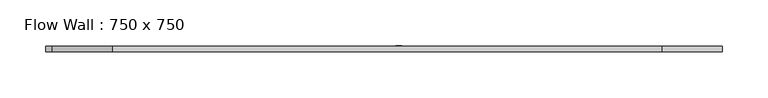
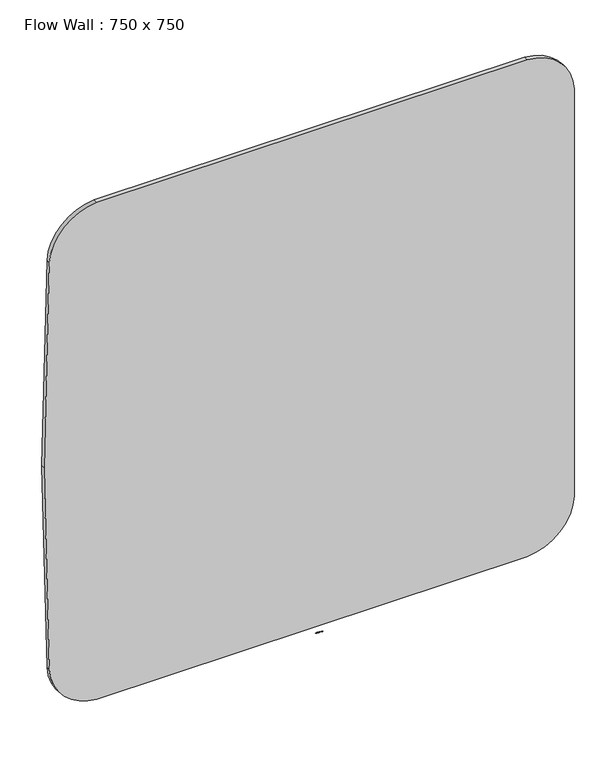
"""IFC4 building model written with IfcOpenShell, lengths in millimetres: furniture geometry, Flow Wall : 750 x 750."""

from ifc_helpers import new_model, si_unit, point, frame, frame_2d, origin, place, context, project, spatial, circle_curve, trimmed, segment, composite_curve, outline, extrude, source, transform, mapped, element, save


def flow_wall_750_x_750_7c284f36(model_context):
    return source(origin(), model_context, "Body", "SweptSolid", [
        extrude(outline(composite_curve([segment(trimmed(circle_curve(frame_2d((-5249.8969773, 0.0)), 6000.0), [point((742.5435135, 301.0929475))], [point((742.5435135, -301.0929475))], False, "CARTESIAN"), True, "CONTINUOUS"), segment(trimmed(circle_curve(frame_2d((672.6317078, -297.5801965)), 70.0), [point((742.5435135, -301.0929475))], [point((676.1444589, -367.4920022))], False, "CARTESIAN"), True, "CONTINUOUS"), segment(trimmed(circle_curve(frame_2d((375.0515113, 5624.9484887)), 6000.0), [point((676.1444589, -367.4920022))], [point((375.0515113, -375.0515113))], False, "CARTESIAN"), True, "CONTINUOUS"), segment(trimmed(circle_curve(frame_2d((375.0515113, 5624.9484887)), 6000.0), [point((375.0515113, -375.0515113))], [point((73.9585638, -367.4920022))], False, "CARTESIAN"), True, "CONTINUOUS"), segment(trimmed(circle_curve(frame_2d((77.4713148, -297.5801965)), 70.0), [point((73.9585638, -367.4920022))], [point((7.5595091, -301.0929475))], False, "CARTESIAN"), True, "CONTINUOUS"), segment(trimmed(circle_curve(frame_2d((6000.0, 0.0)), 6000.0), [point((7.5595091, -301.0929475))], [point((7.5595091, 301.0929475))], False, "CARTESIAN"), True, "CONTINUOUS"), segment(trimmed(circle_curve(frame_2d((77.4713148, 297.5801965)), 70.0), [point((7.5595091, 301.0929475))], [point((73.9585638, 367.4920022))], False, "CARTESIAN"), True, "CONTINUOUS"), segment(trimmed(circle_curve(frame_2d((375.0515113, -5624.9484887)), 6000.0), [point((73.9585638, 367.4920022))], [point((676.1444589, 367.4920022))], False, "CARTESIAN"), True, "CONTINUOUS"), segment(trimmed(circle_curve(frame_2d((672.6317078, 297.5801965)), 70.0), [point((676.1444589, 367.4920022))], [point((742.5435135, 301.0929475))], False, "CARTESIAN"), True, "CONTINUOUS")], self_intersect=False)), frame((0.0, -6.0, 0.0), z_axis=(0.0, 1.0, 0.0), x_axis=(0.0, 0.0, 1.0)), (0.0, 0.0, 1.0), 6.0),
        extrude(outline(composite_curve([segment(trimmed(circle_curve(frame_2d((17.8140378, -29.8743533)), 30.0), [point((16.9116166, 0.1120708))], [point((18.7164591, 0.1120708))], False, "CARTESIAN"), True, "CONTINUOUS"), segment(trimmed(circle_curve(frame_2d((18.713763, 0.022123)), 0.0899883), [point((18.7164591, 0.1120708))], [point((18.803638, 0.0266359))], False, "CARTESIAN"), True, "CONTINUOUS"), segment(trimmed(circle_curve(frame_2d((10.8137529, -0.3755281)), 8.0), [point((18.803638, 0.0266359))], [point((18.803638, -0.7776922))], False, "CARTESIAN"), True, "CONTINUOUS"), segment(trimmed(circle_curve(frame_2d((18.713763, -0.7731792)), 0.0899883), [point((18.803638, -0.7776922))], [point((18.7164591, -0.8631271))], False, "CARTESIAN"), True, "CONTINUOUS"), segment(trimmed(circle_curve(frame_2d((17.8140378, 29.1232971)), 30.0), [point((18.7164591, -0.8631271))], [point((16.9116166, -0.8631271))], False, "CARTESIAN"), True, "CONTINUOUS"), segment(trimmed(circle_curve(frame_2d((16.9143126, -0.7731792)), 0.0899883), [point((16.9116166, -0.8631271))], [point((16.8244376, -0.7776922))], False, "CARTESIAN"), True, "CONTINUOUS"), segment(trimmed(circle_curve(frame_2d((24.8143227, -0.3755281)), 8.0), [point((16.8244376, -0.7776922))], [point((16.8143227, -0.3755281))], False, "CARTESIAN"), True, "CONTINUOUS"), segment(trimmed(circle_curve(frame_2d((24.8143227, -0.3755281)), 8.0), [point((16.8143227, -0.3755281))], [point((16.8244376, 0.0266359))], False, "CARTESIAN"), True, "CONTINUOUS"), segment(trimmed(circle_curve(frame_2d((16.9143126, 0.022123)), 0.0899883), [point((16.8244376, 0.0266359))], [point((16.9116166, 0.1120708))], False, "CARTESIAN"), True, "CONTINUOUS")], self_intersect=False)), frame((0.0, 0.0, -7.4147222), z_axis=(0.0, 0.0, 1.0), x_axis=(1.0, 0.0, 0.0)), (0.0, 0.0, 1.0), 0.006),
        extrude(outline(composite_curve([segment(trimmed(circle_curve(frame_2d((14.8989791, -14.1960751)), 15.0), [point((14.2454051, 0.7896795))], [point((15.5525531, 0.7896795))], False, "CARTESIAN"), True, "CONTINUOUS"), segment(trimmed(circle_curve(frame_2d((15.5486316, 0.699765)), 0.09), [point((15.5525531, 0.7896795))], [point((15.6385171, 0.7043032))], False, "CARTESIAN"), True, "CONTINUOUS"), segment(trimmed(circle_curve(frame_2d((7.6486942, 0.3009066)), 8.0), [point((15.6385171, 0.7043032))], [point((15.6385171, -0.10249))], False, "CARTESIAN"), True, "CONTINUOUS"), segment(trimmed(circle_curve(frame_2d((15.5486316, -0.0979518)), 0.09), [point((15.6385171, -0.10249))], [point((15.5525531, -0.1878663))], False, "CARTESIAN"), True, "CONTINUOUS"), segment(trimmed(circle_curve(frame_2d((14.8989791, 14.7978883)), 15.0), [point((15.5525531, -0.1878663))], [point((14.2454051, -0.1878663))], False, "CARTESIAN"), True, "CONTINUOUS"), segment(trimmed(circle_curve(frame_2d((14.2493265, -0.0979518)), 0.09), [point((14.2454051, -0.1878663))], [point((14.159441, -0.10249))], False, "CARTESIAN"), True, "CONTINUOUS"), segment(trimmed(circle_curve(frame_2d((22.149264, 0.3009066)), 8.0), [point((14.159441, -0.10249))], [point((14.149264, 0.3009066))], False, "CARTESIAN"), True, "CONTINUOUS"), segment(trimmed(circle_curve(frame_2d((22.149264, 0.3009066)), 8.0), [point((14.149264, 0.3009066))], [point((14.159441, 0.7043032))], False, "CARTESIAN"), True, "CONTINUOUS"), segment(trimmed(circle_curve(frame_2d((14.2493265, 0.699765)), 0.09), [point((14.159441, 0.7043032))], [point((14.2454051, 0.7896795))], False, "CARTESIAN"), True, "CONTINUOUS")], self_intersect=False)), frame((0.0, 0.0, -7.4147222), z_axis=(0.0, 0.0, 1.0), x_axis=(1.0, 0.0, 0.0)), (0.0, 0.0, 1.0), 0.006),
        extrude(outline(composite_curve([segment(trimmed(circle_curve(frame_2d((13.2344979, -10.6292964)), 11.5), [point((12.7057204, 0.8585404))], [point((13.7632754, 0.8585404))], False, "CARTESIAN"), True, "CONTINUOUS"), segment(trimmed(circle_curve(frame_2d((13.7591372, 0.7686356)), 0.09), [point((13.7632754, 0.8585404))], [point((13.8490225, 0.7731768))], False, "CARTESIAN"), True, "CONTINUOUS"), segment(trimmed(circle_curve(frame_2d((5.859213, 0.369514)), 8.0), [point((13.8490225, 0.7731768))], [point((13.8490225, -0.0341489))], False, "CARTESIAN"), True, "CONTINUOUS"), segment(trimmed(circle_curve(frame_2d((13.7591372, -0.0296077)), 0.09), [point((13.8490225, -0.0341489))], [point((13.7632754, -0.1195125))], False, "CARTESIAN"), True, "CONTINUOUS"), segment(trimmed(circle_curve(frame_2d((13.2344979, 11.3683243)), 11.5), [point((13.7632754, -0.1195125))], [point((12.7057204, -0.1195125))], False, "CARTESIAN"), True, "CONTINUOUS"), segment(trimmed(circle_curve(frame_2d((12.7098586, -0.0296077)), 0.09), [point((12.7057204, -0.1195125))], [point((12.6199733, -0.0341489))], False, "CARTESIAN"), True, "CONTINUOUS"), segment(trimmed(circle_curve(frame_2d((20.6097828, 0.369514)), 8.0), [point((12.6199733, -0.0341489))], [point((12.6097828, 0.369514))], False, "CARTESIAN"), True, "CONTINUOUS"), segment(trimmed(circle_curve(frame_2d((20.6097828, 0.369514)), 8.0), [point((12.6097828, 0.369514))], [point((12.6199733, 0.7731768))], False, "CARTESIAN"), True, "CONTINUOUS"), segment(trimmed(circle_curve(frame_2d((12.7098586, 0.7686356)), 0.09), [point((12.6199733, 0.7731768))], [point((12.7057204, 0.8585404))], False, "CARTESIAN"), True, "CONTINUOUS")], self_intersect=False)), frame((0.0, 0.0, -7.4147222), z_axis=(0.0, 0.0, 1.0), x_axis=(1.0, 0.0, 0.0)), (0.0, 0.0, 1.0), 0.006),
        extrude(outline(composite_curve([segment(trimmed(circle_curve(frame_2d((11.880102, -7.1379444)), 8.0), [point((11.4759408, 0.85184))], [point((12.2842632, 0.85184))], False, "CARTESIAN"), True, "CONTINUOUS"), segment(trimmed(circle_curve(frame_2d((12.2797164, 0.7619549)), 0.09), [point((12.2842632, 0.85184))], [point((12.3696014, 0.7665017))], False, "CARTESIAN"), True, "CONTINUOUS"), segment(trimmed(circle_curve(frame_2d((4.3798171, 0.3623405)), 8.0), [point((12.3696014, 0.7665017))], [point((12.3696014, -0.0418206))], False, "CARTESIAN"), True, "CONTINUOUS"), segment(trimmed(circle_curve(frame_2d((12.2797164, -0.0372738)), 0.09), [point((12.3696014, -0.0418206))], [point((12.2842632, -0.1271589))], False, "CARTESIAN"), True, "CONTINUOUS"), segment(trimmed(circle_curve(frame_2d((11.880102, 7.8626254)), 8.0), [point((12.2842632, -0.1271589))], [point((11.4759408, -0.1271589))], False, "CARTESIAN"), True, "CONTINUOUS"), segment(trimmed(circle_curve(frame_2d((11.4804876, -0.0372738)), 0.09), [point((11.4759408, -0.1271589))], [point((11.3906026, -0.0418206))], False, "CARTESIAN"), True, "CONTINUOUS"), segment(trimmed(circle_curve(frame_2d((19.3803869, 0.3623405)), 8.0), [point((11.3906026, -0.0418206))], [point((11.3803869, 0.3623405))], False, "CARTESIAN"), True, "CONTINUOUS"), segment(trimmed(circle_curve(frame_2d((19.3803869, 0.3623405)), 8.0), [point((11.3803869, 0.3623405))], [point((11.3906026, 0.7665017))], False, "CARTESIAN"), True, "CONTINUOUS"), segment(trimmed(circle_curve(frame_2d((11.4804876, 0.7619549)), 0.09), [point((11.3906026, 0.7665017))], [point((11.4759408, 0.85184))], False, "CARTESIAN"), True, "CONTINUOUS")], self_intersect=False)), frame((0.0, 0.0, -7.4147222), z_axis=(0.0, 0.0, 1.0), x_axis=(1.0, 0.0, 0.0)), (0.0, 0.0, 1.0), 0.006),
        extrude(outline(composite_curve([segment(trimmed(circle_curve(frame_2d((10.7219096, -5.1332795)), 6.0), [point((10.4208166, 0.859161))], [point((11.0230025, 0.859161))], False, "CARTESIAN"), True, "CONTINUOUS"), segment(trimmed(circle_curve(frame_2d((11.0194898, 0.7892492)), 0.07), [point((11.0230025, 0.859161))], [point((11.0894016, 0.792762))], False, "CARTESIAN"), True, "CONTINUOUS"), segment(trimmed(circle_curve(frame_2d((5.0969611, 0.491669)), 6.0), [point((11.0894016, 0.792762))], [point((11.0894016, 0.1905761))], False, "CARTESIAN"), True, "CONTINUOUS"), segment(trimmed(circle_curve(frame_2d((11.0194898, 0.1940888)), 0.07), [point((11.0894016, 0.1905761))], [point((11.0230025, 0.124177))], False, "CARTESIAN"), True, "CONTINUOUS"), segment(trimmed(circle_curve(frame_2d((10.7219096, 6.1166175)), 6.0), [point((11.0230025, 0.124177))], [point((10.4208166, 0.124177))], False, "CARTESIAN"), True, "CONTINUOUS"), segment(trimmed(circle_curve(frame_2d((10.4243294, 0.1940888)), 0.07), [point((10.4208166, 0.124177))], [point((10.3544176, 0.1905761))], False, "CARTESIAN"), True, "CONTINUOUS"), segment(trimmed(circle_curve(frame_2d((16.346858, 0.491669)), 6.0), [point((10.3544176, 0.1905761))], [point((10.346858, 0.491669))], False, "CARTESIAN"), True, "CONTINUOUS"), segment(trimmed(circle_curve(frame_2d((16.346858, 0.491669)), 6.0), [point((10.346858, 0.491669))], [point((10.3544176, 0.792762))], False, "CARTESIAN"), True, "CONTINUOUS"), segment(trimmed(circle_curve(frame_2d((10.4243294, 0.7892492)), 0.07), [point((10.3544176, 0.792762))], [point((10.4208166, 0.859161))], False, "CARTESIAN"), True, "CONTINUOUS")], self_intersect=False)), frame((0.0, 0.0, -7.4147222), z_axis=(0.0, 0.0, 1.0), x_axis=(1.0, 0.0, 0.0)), (0.0, 0.0, 1.0), 0.006),
        extrude(outline(composite_curve([segment(trimmed(circle_curve(frame_2d((9.4837532, -3.2756697)), 4.0), [point((9.286245, 0.7194511))], [point((9.6812614, 0.7194511))], False, "CARTESIAN"), True, "CONTINUOUS"), segment(trimmed(circle_curve(frame_2d((9.6787926, 0.6695121)), 0.05), [point((9.6812614, 0.7194511))], [point((9.7287316, 0.6719809))], False, "CARTESIAN"), True, "CONTINUOUS"), segment(trimmed(circle_curve(frame_2d((5.7336107, 0.4744727)), 4.0), [point((9.7287316, 0.6719809))], [point((9.7287316, 0.2769645))], False, "CARTESIAN"), True, "CONTINUOUS"), segment(trimmed(circle_curve(frame_2d((9.6787926, 0.2794333)), 0.05), [point((9.7287316, 0.2769645))], [point((9.6812614, 0.2294943))], False, "CARTESIAN"), True, "CONTINUOUS"), segment(trimmed(circle_curve(frame_2d((9.4837532, 4.2246152)), 4.0), [point((9.6812614, 0.2294943))], [point((9.286245, 0.2294943))], False, "CARTESIAN"), True, "CONTINUOUS"), segment(trimmed(circle_curve(frame_2d((9.2887138, 0.2794333)), 0.05), [point((9.286245, 0.2294943))], [point((9.2387748, 0.2769645))], False, "CARTESIAN"), True, "CONTINUOUS"), segment(trimmed(circle_curve(frame_2d((13.2338956, 0.4744727)), 4.0), [point((9.2387748, 0.2769645))], [point((9.2338956, 0.4744727))], False, "CARTESIAN"), True, "CONTINUOUS"), segment(trimmed(circle_curve(frame_2d((13.2338956, 0.4744727)), 4.0), [point((9.2338956, 0.4744727))], [point((9.2387748, 0.6719809))], False, "CARTESIAN"), True, "CONTINUOUS"), segment(trimmed(circle_curve(frame_2d((9.2887138, 0.6695121)), 0.05), [point((9.2387748, 0.6719809))], [point((9.286245, 0.7194511))], False, "CARTESIAN"), True, "CONTINUOUS")], self_intersect=False)), frame((0.0, 0.0, -7.4147222), z_axis=(0.0, 0.0, 1.0), x_axis=(1.0, 0.0, 0.0)), (0.0, 0.0, 1.0), 0.006),
        extrude(outline(composite_curve([segment(trimmed(circle_curve(frame_2d((8.6540231, -2.2771172)), 2.7), [point((8.5348244, 0.4202503))], [point((8.7732217, 0.4202503))], False, "CARTESIAN"), True, "CONTINUOUS"), segment(trimmed(circle_curve(frame_2d((8.7718973, 0.3902796)), 0.03), [point((8.7732217, 0.4202503))], [point((8.8018681, 0.391604))], False, "CARTESIAN"), True, "CONTINUOUS"), segment(trimmed(circle_curve(frame_2d((6.1045005, 0.2724054)), 2.7), [point((8.8018681, 0.391604))], [point((8.8018681, 0.1532067))], False, "CARTESIAN"), True, "CONTINUOUS"), segment(trimmed(circle_curve(frame_2d((8.7718973, 0.1545311)), 0.03), [point((8.8018681, 0.1532067))], [point((8.7732217, 0.1245604))], False, "CARTESIAN"), True, "CONTINUOUS"), segment(trimmed(circle_curve(frame_2d((8.6540231, 2.8219279)), 2.7), [point((8.7732217, 0.1245604))], [point((8.5348244, 0.1245604))], False, "CARTESIAN"), True, "CONTINUOUS"), segment(trimmed(circle_curve(frame_2d((8.5361489, 0.1545311)), 0.03), [point((8.5348244, 0.1245604))], [point((8.5061781, 0.1532067))], False, "CARTESIAN"), True, "CONTINUOUS"), segment(trimmed(circle_curve(frame_2d((11.2035457, 0.2724054)), 2.7), [point((8.5061781, 0.1532067))], [point((8.5035457, 0.2724054))], False, "CARTESIAN"), True, "CONTINUOUS"), segment(trimmed(circle_curve(frame_2d((11.2035457, 0.2724054)), 2.7), [point((8.5035457, 0.2724054))], [point((8.5061781, 0.391604))], False, "CARTESIAN"), True, "CONTINUOUS"), segment(trimmed(circle_curve(frame_2d((8.5361489, 0.3902796)), 0.03), [point((8.5061781, 0.391604))], [point((8.5348244, 0.4202503))], False, "CARTESIAN"), True, "CONTINUOUS")], self_intersect=False)), frame((0.0, 0.0, -7.4147222), z_axis=(0.0, 0.0, 1.0), x_axis=(1.0, 0.0, 0.0)), (0.0, 0.0, 1.0), 0.006),
    ])


if __name__ == "__main__":
    model = new_model("IFC4")
    model_context = context("Model", 3, world=origin())
    ifc_project = project(units=[si_unit("LENGTHUNIT", "METRE", prefix="MILLI")], contexts=[model_context])
    site = spatial("IfcSite", under=ifc_project)
    building = spatial("IfcBuilding", under=site)
    placement = place(None, origin())
    flow_wall_750_x_750_shape = flow_wall_750_x_750_7c284f36(model_context)
    element("IfcFurniture", 1, ObjectType="Flow Wall : 750 x 750", at=placement, inside=building, context=model_context, shape_type="MappedRepresentation", body=[
        mapped(flow_wall_750_x_750_shape, transform((0.0, 0.0, 0.0), x_axis=(1.0, 0.0, 0.0), y_axis=(0.0, 1.0, 0.0), z_axis=(0.0, 0.0, 1.0))),
    ])
    save(model, "model.ifc")
